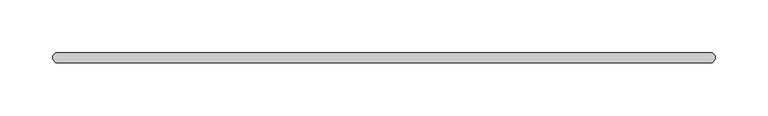
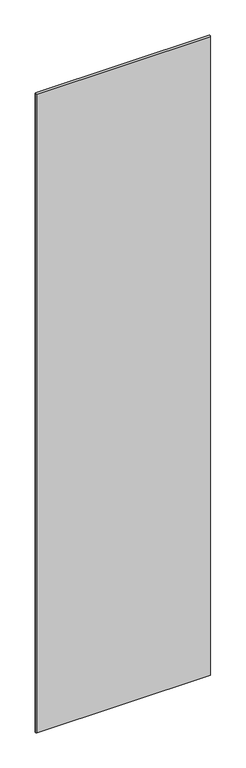
"""IFC4 building model written with IfcOpenShell, lengths in millimetres: plate geometry."""

from ifc_helpers import new_model, si_unit, origin, origin_with_axes, place, context, project, spatial, polyline, outline, extrude, source, transform, mapped, element, save


def plate_a5559fd2(model_context):
    return source(origin(), model_context, "Body", "SweptSolid", [
        extrude(outline(polyline([(311.546875, 34.925), (314.721875, 31.75), (314.721875, 28.575), (311.546875, 25.4), (-311.546875, 25.4), (-314.721875, 28.575), (-314.721875, 31.75), (-311.546875, 34.925), (311.546875, 34.925)])), origin_with_axes(), (0.0, 0.0, 1.0), 2428.7789267),
    ])


if __name__ == "__main__":
    model = new_model("IFC4")
    model_context = context("Model", 3, world=origin())
    ifc_project = project(units=[si_unit("LENGTHUNIT", "METRE", prefix="MILLI")], contexts=[model_context])
    site = spatial("IfcSite", under=ifc_project)
    building = spatial("IfcBuilding", under=site)
    placement = place(None, origin())
    plate_shape = plate_a5559fd2(model_context)
    element("IfcPlate", 1, at=placement, inside=building, context=model_context, shape_type="MappedRepresentation", body=[
        mapped(plate_shape, transform((0.0, 0.0, 0.0), x_axis=(1.0, 0.0, 0.0), y_axis=(0.0, 1.0, 0.0), z_axis=(0.0, 0.0, 1.0))),
    ])
    save(model, "model.ifc")
